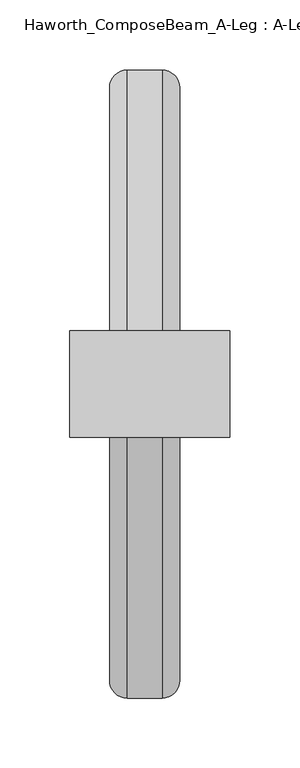
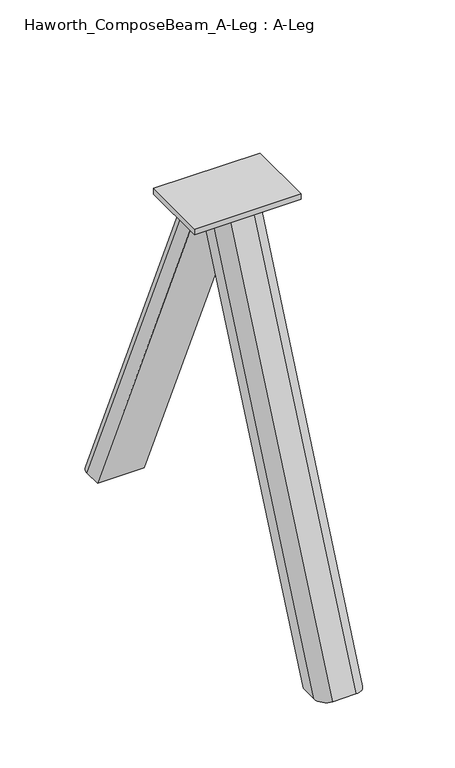
"""IFC4 building model written with IfcOpenShell, lengths in millimetres: furniture geometry, Haworth_ComposeBeam_A-Leg : A-Leg."""

from ifc_helpers import new_model, si_unit, point, frame, origin, origin_with_axes, place, context, project, spatial, polyline, circle_curve, trimmed, outline, extrude, source, transform, mapped, element, save
from ifc_brep_helpers import plane_surface, extruded_surface, advanced_brep


def haworth_composebeam_a_leg_a_leg_065832e5(model_context):
    return source(origin(), model_context, "Body", "SolidModel", [
        advanced_brep(
        [(195.978503, -106.6797599, 0.0), (208.678503, -93.9797599, 0.0), (208.678503, -74.1162204, 0.0), (158.4698597, -74.1162204, 0.0), (158.4698597, -93.9797599, 0.0), (171.1698597, -106.6797599, 0.0), (195.978503, -297.1797599, -431.8), (171.1698597, -297.1797599, -431.8), (158.4698597, -284.4797599, -431.8), (158.4698597, -264.6162204, -431.8), (208.678503, -264.6162204, -431.8), (208.678503, -284.4797599, -431.8)],
        [
            (0, 1, circle_curve(frame((195.978503, -93.9797599, 0.0), z_axis=(0.0, 0.0, 1.0), x_axis=(-1.0, 0.0, 0.0)), 12.7)),
            (1, 2),
            (2, 3),
            (3, 4),
            (4, 5, circle_curve(frame((171.1698597, -93.9797599, 0.0), z_axis=(0.0, 0.0, 1.0), x_axis=(-1.0, 0.0, 0.0)), 12.7)),
            (5, 0),
            (6, 7),
            (7, 8, circle_curve(frame((171.1698597, -284.4797599, -431.8), z_axis=(0.0, 0.0, -1.0), x_axis=(1.0, 0.0, 0.0)), 12.7)),
            (8, 9),
            (9, 10),
            (10, 11),
            (11, 6, circle_curve(frame((195.978503, -284.4797599, -431.8), z_axis=(0.0, 0.0, -1.0), x_axis=(1.0, 0.0, 0.0)), 12.7)),
            (6, 0),
            (5, 7),
            (4, 8),
            (3, 9),
            (2, 10),
            (1, 11),
        ],
        [
            plane_surface(frame((183.5741814, -91.5919134, 0.0), z_axis=(0.0, 0.0, 1.0), x_axis=(1.0, 0.0, 0.0))),
            plane_surface(frame((183.5741814, -282.0919134, -431.8), z_axis=(0.0, 0.0, -1.0), x_axis=(1.0, 0.0, 0.0))),
            plane_surface(frame((183.5741814, -297.1797599, -431.8), z_axis=(0.0, -0.9149178015729306, 0.4036402065762968), x_axis=(1.0, 0.0, 0.0))),
            extruded_surface(trimmed(circle_curve(frame((171.1698597, -284.4797599, -431.8), z_axis=(0.0, 0.0, 1.0), x_axis=(1.0, 0.0, 0.0)), 12.7), [point((158.4698597, -284.4797599, -431.8))], [point((171.1698597, -297.1797599, -431.8))], True, "CARTESIAN"), (0.0, 190.49999999999997, 431.8), 471.954966071976),
            plane_surface(frame((158.4698597, -274.5479902, -431.8), z_axis=(-1.0, 0.0, 0.0), x_axis=(0.0, -1.0, 0.0))),
            plane_surface(frame((183.5741814, -264.6162204, -431.8), z_axis=(0.0, 0.9149178015729307, -0.4036402065762968), x_axis=(-1.0, 0.0, 0.0))),
            plane_surface(frame((208.678503, -274.5479902, -431.8), z_axis=(1.0, 0.0, 0.0), x_axis=(0.0, 1.0, 0.0))),
            extruded_surface(trimmed(circle_curve(frame((195.978503, -284.4797599, -431.8), z_axis=(0.0, 0.0, 1.0), x_axis=(1.0, 0.0, 0.0)), 12.7), [point((195.978503, -297.1797599, -431.8))], [point((208.678503, -284.4797599, -431.8))], True, "CARTESIAN"), (0.0, 190.49999999999997, 431.8), 471.954966071976),
        ],
        [
            (0, [[1, 2, 3, 4, 5, 6]]),
            (1, [[7, 8, 9, 10, 11, 12]]),
            (2, [[-7, 13, -6, 14]]),
            (3, [[-8, -14, -5, 15]]),
            (4, [[-9, -15, -4, 16]]),
            (5, [[-10, -16, -3, 17]]),
            (6, [[-11, -17, -2, 18]]),
            (7, [[-12, -18, -1, -13]]),
        ],
    ),
        advanced_brep(
        [(195.978503, -38.8271932, 0.0), (171.1698597, -38.8271932, 0.0), (158.4698597, -51.5271932, 0.0), (158.4698597, -71.3907327, 0.0), (208.678503, -71.3907327, 0.0), (208.678503, -51.5271932, 0.0), (195.978503, 151.6728068, -431.8), (208.678503, 138.9728068, -431.8), (208.678503, 119.1092673, -431.8), (158.4698597, 119.1092673, -431.8), (158.4698597, 138.9728068, -431.8), (171.1698597, 151.6728068, -431.8)],
        [
            (0, 1),
            (1, 2, circle_curve(frame((171.1698597, -51.5271932, 0.0), z_axis=(0.0, 0.0, 1.0), x_axis=(-1.0, 0.0, 0.0)), 12.7)),
            (2, 3),
            (3, 4),
            (4, 5),
            (5, 0, circle_curve(frame((195.978503, -51.5271932, 0.0), z_axis=(0.0, 0.0, 1.0), x_axis=(-1.0, 0.0, 0.0)), 12.7)),
            (6, 7, circle_curve(frame((195.978503, 138.9728068, -431.8), z_axis=(0.0, 0.0, -1.0), x_axis=(1.0, 0.0, 0.0)), 12.7)),
            (7, 8),
            (8, 9),
            (9, 10),
            (10, 11, circle_curve(frame((171.1698597, 138.9728068, -431.8), z_axis=(0.0, 0.0, -1.0), x_axis=(1.0, 0.0, 0.0)), 12.7)),
            (11, 6),
            (11, 1),
            (0, 6),
            (10, 2),
            (9, 3),
            (8, 4),
            (7, 5),
        ],
        [
            plane_surface(frame((183.5741814, -53.9150397, 0.0), z_axis=(0.0, 0.0, 1.0), x_axis=(-1.0, 0.0, 0.0))),
            plane_surface(frame((183.5741814, 136.5849603, -431.8), z_axis=(0.0, 0.0, -1.0), x_axis=(-1.0, 0.0, 0.0))),
            plane_surface(frame((183.5741814, 151.6728068, -431.8), z_axis=(0.0, 0.9149178015729306, 0.4036402065762968), x_axis=(-1.0, 0.0, 0.0))),
            extruded_surface(trimmed(circle_curve(frame((171.1698597, 138.9728068, -431.8), z_axis=(0.0, 0.0, 1.0), x_axis=(1.0, 0.0, 0.0)), 12.7), [point((171.1698597, 151.6728068, -431.8))], [point((158.4698597, 138.9728068, -431.8))], True, "CARTESIAN"), (0.0, -190.5, 431.8), 471.954966071976),
            plane_surface(frame((158.4698597, 129.041037, -431.8), z_axis=(-1.0, 0.0, 0.0), x_axis=(0.0, -1.0, 0.0))),
            plane_surface(frame((183.5741814, 119.1092673, -431.8), z_axis=(0.0, -0.9149178015729307, -0.4036402065762968), x_axis=(1.0, 0.0, 0.0))),
            plane_surface(frame((208.678503, 129.041037, -431.8), z_axis=(1.0, 0.0, 0.0), x_axis=(0.0, 1.0, 0.0))),
            extruded_surface(trimmed(circle_curve(frame((195.978503, 138.9728068, -431.8), z_axis=(0.0, 0.0, 1.0), x_axis=(1.0, 0.0, 0.0)), 12.7), [point((208.678503, 138.9728068, -431.8))], [point((195.978503, 151.6728068, -431.8))], True, "CARTESIAN"), (0.0, -190.5, 431.8), 471.954966071976),
        ],
        [
            (0, [[1, 2, 3, 4, 5, 6]]),
            (1, [[7, 8, 9, 10, 11, 12]]),
            (2, [[-12, 13, -1, 14]]),
            (3, [[-11, 15, -2, -13]]),
            (4, [[-10, 16, -3, -15]]),
            (5, [[-9, 17, -4, -16]]),
            (6, [[-8, 18, -5, -17]]),
            (7, [[-7, -14, -6, -18]]),
        ],
    ),
        extrude(outline(polyline([(244.475, -34.6534841), (244.475, -110.8534822), (130.175, -110.8534822), (130.175, -34.6534841), (244.475, -34.6534841)])), origin_with_axes(), (0.0, 0.0, 1.0), 6.35),
    ])


if __name__ == "__main__":
    model = new_model("IFC4")
    model_context = context("Model", 3, world=origin())
    ifc_project = project(units=[si_unit("LENGTHUNIT", "METRE", prefix="MILLI")], contexts=[model_context])
    site = spatial("IfcSite", under=ifc_project)
    building = spatial("IfcBuilding", under=site)
    placement = place(None, origin())
    haworth_composebeam_a_leg_a_leg_shape = haworth_composebeam_a_leg_a_leg_065832e5(model_context)
    element("IfcFurniture", 1, ObjectType="Haworth_ComposeBeam_A-Leg : A-Leg", at=placement, inside=building, context=model_context, shape_type="MappedRepresentation", body=[
        mapped(haworth_composebeam_a_leg_a_leg_shape, transform((0.0, 0.0, 0.0), x_axis=(1.0, 0.0, 0.0), y_axis=(0.0, 1.0, 0.0), z_axis=(0.0, 0.0, 1.0))),
    ])
    save(model, "model.ifc")
